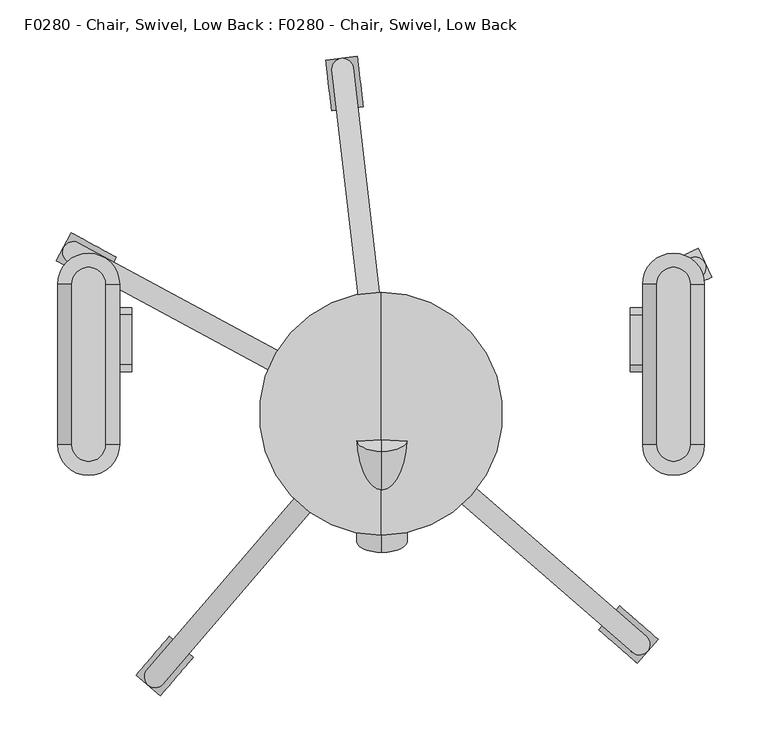
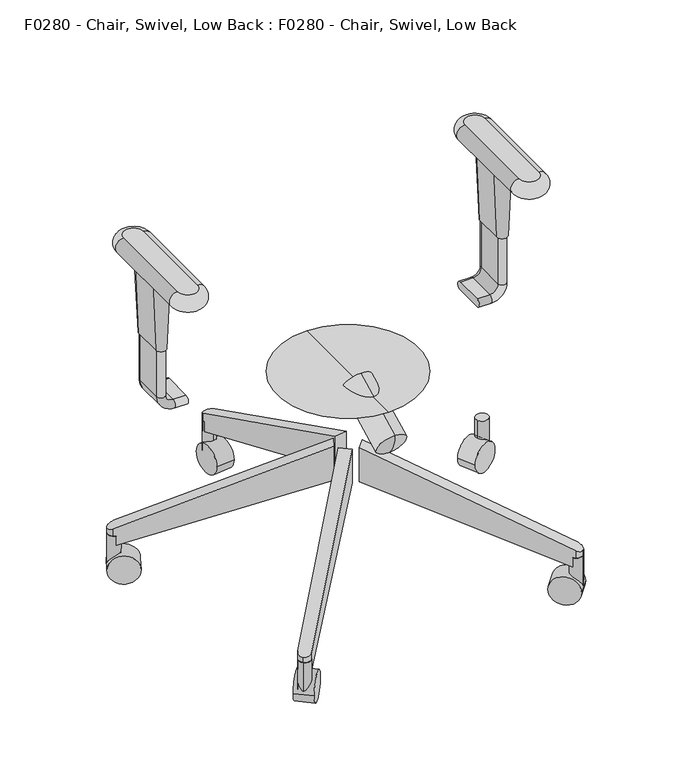
"""IFC4 building model written with IfcOpenShell, lengths in millimetres: proxy geometry, F0280 - Chair, Swivel, Low Back : F0280 - Chair, Swivel, Low Back."""

from ifc_helpers import new_model, si_unit, point, frame, frame_2d, origin, place, context, project, spatial, polyline, circle_curve, ellipse_curve, trimmed, segment, composite_curve, outline, extrude, source, transform, mapped, element, save
from ifc_brep_helpers import plane_surface, cylinder_surface, revolved_surface, advanced_brep


def f0280_chair_swivel_low_back_f0280_chair_swivel_low_back_72507954(model_context):
    return source(origin(), model_context, "Body", "SolidModel", [
        advanced_brep(
        [(-244.7915853, -27.2190125, 564.9459091), (-244.7915853, 115.231927, 564.9459091), (-274.5248755, 115.231927, 564.9459091), (-274.5248755, -27.2190125, 564.9459091), (-274.5248755, -27.2190125, 539.608165), (-274.5248755, 115.231927, 539.608165), (-244.7915853, 115.231927, 539.608165), (-244.7915853, -27.2190125, 539.608165)],
        [
            (0, 1),
            (1, 2, circle_curve(frame((-259.6582304, 115.231927, 564.9459091), z_axis=(0.0, 0.0, 1.0), x_axis=(-1.0, 0.0, 0.0)), 14.8666451)),
            (2, 3),
            (3, 0, circle_curve(frame((-259.6582304, -27.2190125, 564.9459091), z_axis=(0.0, 0.0, 1.0), x_axis=(1.0, 0.0, 0.0)), 14.8666451)),
            (4, 5),
            (5, 6, circle_curve(frame((-259.6582304, 115.231927, 539.608165), z_axis=(0.0, 0.0, -1.0), x_axis=(-1.0, 0.0, 0.0)), 14.8666451)),
            (6, 7),
            (7, 4, circle_curve(frame((-259.6582304, -27.2190125, 539.608165), z_axis=(0.0, 0.0, -1.0), x_axis=(1.0, 0.0, 0.0)), 14.8666451)),
            (7, 0, circle_curve(frame((-244.7915853, -27.2190125, 552.277037), z_axis=(0.0, -1.0, 0.0), x_axis=(-1.0, 0.0, 0.0)), 12.668872)),
            (3, 4, circle_curve(frame((-274.5248755, -27.2190125, 552.277037), z_axis=(0.0, -1.0, 0.0), x_axis=(1.0, 0.0, 0.0)), 12.668872)),
            (2, 5, circle_curve(frame((-274.5248755, 115.231927, 552.277037), z_axis=(0.0, -1.0, 0.0), x_axis=(1.0, 0.0, 0.0)), 12.668872)),
            (1, 6, circle_curve(frame((-244.7915853, 115.231927, 552.277037), z_axis=(0.0, 1.0, 0.0), x_axis=(-1.0, 0.0, 0.0)), 12.668872)),
        ],
        [
            plane_surface(frame((-232.0214447, -27.2190125, 564.9459091), z_axis=(0.0, 0.0, 1.0), x_axis=(0.0, -1.0, 0.0))),
            plane_surface(frame((-232.0214447, -27.2190125, 539.608165), z_axis=(0.0, 0.0, -1.0), x_axis=(0.0, 1.0, 0.0))),
            revolved_surface(trimmed(ellipse_curve(frame((-244.7915853, -27.2190125, 552.277037), z_axis=(0.0, -1.0, 0.0), x_axis=(-1.0, 0.0, 0.0)), 12.668872, 12.668872), [point((-244.7915853, -27.2190125, 539.608165))], [point((-244.7915853, -27.2190125, 564.9459091))], True, "CARTESIAN"), (-259.6582304, -27.2190125, 564.9459091), (0.0, 0.0, 1.0)),
            cylinder_surface(frame((-274.5248755, -27.2190125, 552.277037), z_axis=(0.0, 1.0, 0.0), x_axis=(1.0, 0.0, 0.0)), 12.668872),
            revolved_surface(trimmed(ellipse_curve(frame((-274.5248755, 115.231927, 552.277037), z_axis=(0.0, 1.0, 0.0), x_axis=(1.0, 0.0, 0.0)), 12.668872, 12.668872), [point((-274.5248755, 115.231927, 539.608165))], [point((-274.5248755, 115.231927, 564.9459091))], True, "CARTESIAN"), (-259.6582304, 115.231927, 564.9459091), (0.0, 0.0, 1.0)),
            cylinder_surface(frame((-244.7915853, 115.231927, 552.277037), z_axis=(0.0, -1.0, 0.0), x_axis=(-1.0, 0.0, 0.0)), 12.668872),
        ],
        [
            (0, [[1, 2, 3, 4]]),
            (1, [[5, 6, 7, 8]]),
            (2, [[-8, 9, -4, 10]]),
            (3, [[-3, 11, -5, -10]]),
            (4, [[-2, 12, -6, -11]]),
            (5, [[-7, -12, -1, -9]]),
        ],
    ),
        advanced_brep(
        [(-272.2112726, 43.5550281, 539.608165), (-246.8112726, 43.5550281, 539.608165), (-246.8112726, 88.0050281, 539.608165), (-272.2112726, 88.0050281, 539.608165), (-267.4487726, 43.5550281, 425.6440254), (-267.4487726, 88.0050281, 425.6440254), (-251.5737726, 88.0050281, 425.6440254), (-251.5737726, 43.5550281, 425.6440254)],
        [
            (0, 1, circle_curve(frame((-259.5112726, 43.5550281, 539.608165), z_axis=(0.0, 0.0, 1.0), x_axis=(1.0, 0.0, 0.0)), 12.7)),
            (1, 2),
            (2, 3, circle_curve(frame((-259.5112726, 88.0050281, 539.608165), z_axis=(0.0, 0.0, 1.0), x_axis=(-1.0, 0.0, 0.0)), 12.7)),
            (3, 0),
            (4, 5),
            (5, 6, circle_curve(frame((-259.5112726, 88.0050281, 425.6440254), z_axis=(0.0, 0.0, -1.0), x_axis=(-1.0, 0.0, 0.0)), 7.9375)),
            (6, 7),
            (7, 4, circle_curve(frame((-259.5112726, 43.5550281, 425.6440254), z_axis=(0.0, 0.0, -1.0), x_axis=(1.0, 0.0, 0.0)), 7.9375)),
            (3, 5),
            (4, 0),
            (2, 6),
            (1, 7),
        ],
        [
            plane_surface(frame((-259.5112726, 65.7800281, 539.608165), z_axis=(0.0, 0.0, 1.0), x_axis=(0.0, 1.0, 0.0))),
            plane_surface(frame((-259.5112726, 65.7800281, 425.6440254), z_axis=(0.0, 0.0, -1.0), x_axis=(0.0, 1.0, 0.0))),
            plane_surface(frame((-267.4487726, 65.7800281, 425.6440254), z_axis=(-0.9991279624642644, 0.0, -0.04175301931606388), x_axis=(0.0, 1.0, 0.0))),
            revolved_surface(polyline([(-251.57377260104474, 88.0050281, 425.6440254), (-246.8112726, 88.0050281, 539.608165)]), (-259.5112726, 88.0050281, 235.7037928), (0.0, 0.0, 1.0)),
            plane_surface(frame((-251.5737726, 65.7800281, 425.6440254), z_axis=(0.9991279624642645, 0.0, -0.04175301931606151), x_axis=(0.0, -1.0, 0.0))),
            revolved_surface(polyline([(-267.44877259895526, 43.5550281, 425.6440254), (-272.2112726, 43.5550281, 539.608165)]), (-259.5112726, 43.5550281, 235.7037928), (0.0, 0.0, 1.0)),
        ],
        [
            (0, [[1, 2, 3, 4]]),
            (1, [[5, 6, 7, 8]]),
            (2, [[9, -5, 10, -4]]),
            (3, [[11, -6, -9, -3]]),
            (4, [[12, -7, -11, -2]]),
            (5, [[-10, -8, -12, -1]]),
        ],
    ),
        advanced_brep(
        [(-221.4112726, 43.5550281, 324.0440254), (-221.4112726, 88.0050281, 324.0440254), (-221.4112726, 88.0050281, 336.7440254), (-221.4112726, 43.5550281, 336.7440254), (-240.4612726, 43.5550281, 336.7440254), (-240.4612726, 43.5550281, 324.0440254), (-240.4612726, 88.0050281, 336.7440254), (-240.4612726, 88.0050281, 324.0440254), (-253.1612726, 43.5550281, 349.4440254), (-265.8612726, 43.5550281, 349.4440254), (-253.1612726, 88.0050281, 349.4440254), (-265.8612726, 88.0050281, 349.4440254), (-265.8612726, 43.5550281, 425.6440254), (-253.1612726, 43.5550281, 425.6440254), (-253.1612726, 88.0050281, 425.6440254), (-265.8612726, 88.0050281, 425.6440254)],
        [
            (0, 1),
            (1, 2, circle_curve(frame((-221.4112726, 88.0050281, 330.3940254), z_axis=(1.0, 0.0, 0.0), x_axis=(0.0, -1.0, 0.0)), 6.35)),
            (2, 3),
            (3, 0, circle_curve(frame((-221.4112726, 43.5550281, 330.3940254), z_axis=(1.0, 0.0, 0.0), x_axis=(0.0, -1.0, 0.0)), 6.35)),
            (3, 4),
            (4, 5, circle_curve(frame((-240.4612726, 43.5550281, 330.3940254), z_axis=(1.0, 0.0, 0.0), x_axis=(0.0, -1.0, 0.0)), 6.35)),
            (5, 0),
            (2, 6),
            (6, 4),
            (1, 7),
            (7, 6, circle_curve(frame((-240.4612726, 88.0050281, 330.3940254), z_axis=(1.0, 0.0, 0.0), x_axis=(0.0, -1.0, 0.0)), 6.35)),
            (5, 7),
            (8, 9, circle_curve(frame((-259.5112726, 43.5550281, 349.4440254), z_axis=(0.0, 0.0, -1.0), x_axis=(0.0, -1.0, 0.0)), 6.35)),
            (9, 5, circle_curve(frame((-240.4612726, 43.5550281, 349.4440254), z_axis=(0.0, -1.0, 0.0), x_axis=(0.0, 0.0, -1.0)), 25.4)),
            (4, 8, circle_curve(frame((-240.4612726, 43.5550281, 349.4440254), z_axis=(0.0, 1.0, 0.0), x_axis=(0.0, 0.0, -1.0)), 12.7)),
            (10, 8),
            (6, 10, circle_curve(frame((-240.4612726, 88.0050281, 349.4440254), z_axis=(0.0, 1.0, 0.0), x_axis=(0.0, 0.0, -1.0)), 12.7)),
            (11, 10, circle_curve(frame((-259.5112726, 88.0050281, 349.4440254), z_axis=(0.0, 0.0, -1.0), x_axis=(0.0, -1.0, 0.0)), 6.35)),
            (7, 11, circle_curve(frame((-240.4612726, 88.0050281, 349.4440254), z_axis=(0.0, 1.0, 0.0), x_axis=(0.0, 0.0, -1.0)), 25.4)),
            (9, 11),
            (12, 13, circle_curve(frame((-259.5112726, 43.5550281, 425.6440254), z_axis=(0.0, 0.0, 1.0), x_axis=(0.0, -1.0, 0.0)), 6.35)),
            (13, 14),
            (14, 15, circle_curve(frame((-259.5112726, 88.0050281, 425.6440254), z_axis=(0.0, 0.0, 1.0), x_axis=(0.0, -1.0, 0.0)), 6.35)),
            (15, 12),
            (8, 13),
            (12, 9),
            (10, 14),
            (11, 15),
        ],
        [
            plane_surface(frame((-221.4112726, 69.85, 324.0440254), z_axis=(1.0, 0.0, 0.0), x_axis=(0.0, -1.0, 0.0))),
            cylinder_surface(frame((-221.4112726, 43.5550281, 330.3940254), z_axis=(1.0, 0.0, 0.0), x_axis=(0.0, -1.0, 0.0)), 6.35),
            plane_surface(frame((-221.4112726, 43.5550281, 336.7440254), z_axis=(0.0, 0.0, 1.0), x_axis=(-1.0, 0.0, 0.0))),
            cylinder_surface(frame((-221.4112726, 88.0050281, 330.3940254), z_axis=(1.0, 0.0, 0.0), x_axis=(0.0, -1.0, 0.0)), 6.35),
            plane_surface(frame((-221.4112726, 88.0050281, 324.0440254), z_axis=(0.0, 0.0, -1.0), x_axis=(-1.0, 0.0, 0.0))),
            revolved_surface(trimmed(ellipse_curve(frame((-240.4612726, 43.5550281, 330.3940254), z_axis=(-1.0, 0.0, 0.0), x_axis=(0.0, -1.0, 0.0)), 6.35, 6.35), [point((-240.4612726, 43.5550281, 324.0440254))], [point((-240.4612726, 43.5550281, 336.7440254))], True, "CARTESIAN"), (-240.4612726, 69.85, 349.4440254), (0.0, -1.0, 0.0)),
            revolved_surface(polyline([(-240.4612726, 43.5550281, 336.7440254), (-240.4612726, 88.0050281, 336.7440254)]), (-240.4612726, 69.85, 349.4440254), (0.0, -1.0, 0.0)),
            revolved_surface(trimmed(ellipse_curve(frame((-240.4612726, 88.0050281, 330.3940254), z_axis=(-1.0, 0.0, 0.0), x_axis=(0.0, -1.0, 0.0)), 6.35, 6.35), [point((-240.4612726, 88.0050281, 336.7440254))], [point((-240.4612726, 88.0050281, 324.0440254))], True, "CARTESIAN"), (-240.4612726, 69.85, 349.4440254), (0.0, -1.0, 0.0)),
            cylinder_surface(frame((-240.4612726, 69.85, 349.4440254), z_axis=(0.0, -1.0, 0.0), x_axis=(0.0, 0.0, -1.0)), 25.4),
            plane_surface(frame((-265.8612726, 69.85, 425.6440254), z_axis=(0.0, 0.0, 1.0), x_axis=(0.0, -1.0, 0.0))),
            cylinder_surface(frame((-259.5112726, 43.5550281, 349.4440254), z_axis=(0.0, 0.0, -1.0), x_axis=(0.0, -1.0, 0.0)), 6.35),
            plane_surface(frame((-253.1612726, 43.5550281, 349.4440254), z_axis=(1.0, 0.0, 0.0), x_axis=(0.0, 0.0, 1.0))),
            cylinder_surface(frame((-259.5112726, 88.0050281, 349.4440254), z_axis=(0.0, 0.0, -1.0), x_axis=(0.0, -1.0, 0.0)), 6.35),
            plane_surface(frame((-265.8612726, 88.0050281, 349.4440254), z_axis=(-1.0, 0.0, 0.0), x_axis=(0.0, 0.0, 1.0))),
        ],
        [
            (0, [[1, 2, 3, 4]]),
            (1, [[5, 6, 7, -4]]),
            (2, [[8, 9, -5, -3]]),
            (3, [[10, 11, -8, -2]]),
            (4, [[-7, 12, -10, -1]]),
            (5, [[13, 14, -6, 15]]),
            (6, [[16, -15, -9, 17]]),
            (7, [[18, -17, -11, 19]]),
            (8, [[20, -19, -12, -14]]),
            (9, [[21, 22, 23, 24]]),
            (10, [[25, -21, 26, -13]]),
            (11, [[27, -22, -25, -16]]),
            (12, [[28, -23, -27, -18]]),
            (13, [[-26, -24, -28, -20]]),
        ],
    ),
        advanced_brep(
        [(274.4746752, -27.2190125, 564.9459091), (274.4746752, 115.231927, 564.9459091), (244.8417856, 115.231927, 564.9459091), (244.8417856, -27.2190125, 564.9459091), (244.8417856, -27.2190125, 539.608165), (244.8417856, 115.231927, 539.608165), (274.4746752, 115.231927, 539.608165), (274.4746752, -27.2190125, 539.608165)],
        [
            (0, 1),
            (1, 2, circle_curve(frame((259.6582304, 115.231927, 564.9459091), z_axis=(0.0, 0.0, 1.0), x_axis=(-1.0, 0.0, 0.0)), 14.8164448)),
            (2, 3),
            (3, 0, circle_curve(frame((259.6582304, -27.2190125, 564.9459091), z_axis=(0.0, 0.0, 1.0), x_axis=(1.0, 0.0, 0.0)), 14.8164448)),
            (4, 5),
            (5, 6, circle_curve(frame((259.6582304, 115.231927, 539.608165), z_axis=(0.0, 0.0, -1.0), x_axis=(-1.0, 0.0, 0.0)), 14.8164448)),
            (6, 7),
            (7, 4, circle_curve(frame((259.6582304, -27.2190125, 539.608165), z_axis=(0.0, 0.0, -1.0), x_axis=(1.0, 0.0, 0.0)), 14.8164448)),
            (7, 0, circle_curve(frame((274.4746752, -27.2190125, 552.277037), z_axis=(0.0, -1.0, 0.0), x_axis=(-1.0, 0.0, 0.0)), 12.668872)),
            (3, 4, circle_curve(frame((244.8417856, -27.2190125, 552.277037), z_axis=(0.0, -1.0, 0.0), x_axis=(1.0, 0.0, 0.0)), 12.668872)),
            (2, 5, circle_curve(frame((244.8417856, 115.231927, 552.277037), z_axis=(0.0, -1.0, 0.0), x_axis=(1.0, 0.0, 0.0)), 12.668872)),
            (1, 6, circle_curve(frame((274.4746752, 115.231927, 552.277037), z_axis=(0.0, 1.0, 0.0), x_axis=(-1.0, 0.0, 0.0)), 12.668872)),
        ],
        [
            plane_surface(frame((232.0214447, -21.1606364, 564.9459091), z_axis=(0.0, 0.0, 1.0), x_axis=(0.0, 1.0, 0.0))),
            plane_surface(frame((232.0214447, -21.1606364, 539.608165), z_axis=(0.0, 0.0, -1.0), x_axis=(0.0, -1.0, 0.0))),
            revolved_surface(trimmed(ellipse_curve(frame((274.4746752, -27.2190125, 552.277037), z_axis=(0.0, -1.0, 0.0), x_axis=(-1.0, 0.0, 0.0)), 12.668872, 12.668872), [point((274.4746752, -27.2190125, 539.608165))], [point((274.4746752, -27.2190125, 564.9459091))], True, "CARTESIAN"), (259.6582304, -27.2190125, 564.9459091), (0.0, 0.0, 1.0)),
            cylinder_surface(frame((244.8417856, -27.2190125, 552.277037), z_axis=(0.0, 1.0, 0.0), x_axis=(1.0, 0.0, 0.0)), 12.668872),
            revolved_surface(trimmed(ellipse_curve(frame((244.8417856, 115.231927, 552.277037), z_axis=(0.0, 1.0, 0.0), x_axis=(1.0, 0.0, 0.0)), 12.668872, 12.668872), [point((244.8417856, 115.231927, 539.608165))], [point((244.8417856, 115.231927, 564.9459091))], True, "CARTESIAN"), (259.6582304, 115.231927, 564.9459091), (0.0, 0.0, 1.0)),
            cylinder_surface(frame((274.4746752, 115.231927, 552.277037), z_axis=(0.0, -1.0, 0.0), x_axis=(-1.0, 0.0, 0.0)), 12.668872),
        ],
        [
            (0, [[1, 2, 3, 4]]),
            (1, [[5, 6, 7, 8]]),
            (2, [[-8, 9, -4, 10]]),
            (3, [[-3, 11, -5, -10]]),
            (4, [[-2, 12, -6, -11]]),
            (5, [[-7, -12, -1, -9]]),
        ],
    ),
        advanced_brep(
        [(272.2112726, 43.5550281, 539.608165), (272.2112726, 88.0050281, 539.608165), (246.8112726, 88.0050281, 539.608165), (246.8112726, 43.5550281, 539.608165), (267.4487726, 43.5550281, 425.6440254), (251.5737726, 43.5550281, 425.6440254), (251.5737726, 88.0050281, 425.6440254), (267.4487726, 88.0050281, 425.6440254)],
        [
            (0, 1),
            (1, 2, circle_curve(frame((259.5112726, 88.0050281, 539.608165), z_axis=(0.0, 0.0, 1.0), x_axis=(-1.0, 0.0, 0.0)), 12.7)),
            (2, 3),
            (3, 0, circle_curve(frame((259.5112726, 43.5550281, 539.608165), z_axis=(0.0, 0.0, 1.0), x_axis=(1.0, 0.0, 0.0)), 12.7)),
            (4, 5, circle_curve(frame((259.5112726, 43.5550281, 425.6440254), z_axis=(0.0, 0.0, -1.0), x_axis=(1.0, 0.0, 0.0)), 7.9375)),
            (5, 6),
            (6, 7, circle_curve(frame((259.5112726, 88.0050281, 425.6440254), z_axis=(0.0, 0.0, -1.0), x_axis=(-1.0, 0.0, 0.0)), 7.9375)),
            (7, 4),
            (3, 5),
            (4, 0),
            (2, 6),
            (1, 7),
        ],
        [
            plane_surface(frame((259.5112726, 65.7800281, 539.608165), z_axis=(0.0, 0.0, 1.0), x_axis=(0.0, -1.0, 0.0))),
            plane_surface(frame((259.5112726, 65.7800281, 425.6440254), z_axis=(0.0, 0.0, -1.0), x_axis=(0.0, -1.0, 0.0))),
            revolved_surface(polyline([(251.57377260104474, 43.5550281, 425.6440254), (246.8112726, 43.5550281, 539.608165)]), (259.5112726, 43.5550281, 235.7037928), (0.0, 0.0, 1.0)),
            plane_surface(frame((251.5737726, 65.7800281, 425.6440254), z_axis=(-0.9991279624642644, 0.0, -0.04175301931606269), x_axis=(0.0, 1.0, 0.0))),
            revolved_surface(polyline([(267.44877259895526, 88.0050281, 425.6440254), (272.2112726, 88.0050281, 539.608165)]), (259.5112726, 88.0050281, 235.7037928), (0.0, 0.0, 1.0)),
            plane_surface(frame((267.4487726, 65.7800281, 425.6440254), z_axis=(0.9991279624642644, 0.0, -0.04175301931606269), x_axis=(0.0, -1.0, 0.0))),
        ],
        [
            (0, [[1, 2, 3, 4]]),
            (1, [[5, 6, 7, 8]]),
            (2, [[9, -5, 10, -4]]),
            (3, [[11, -6, -9, -3]]),
            (4, [[12, -7, -11, -2]]),
            (5, [[-10, -8, -12, -1]]),
        ],
    ),
        advanced_brep(
        [(221.4112726, 43.5550281, 324.0440254), (221.4112726, 43.5550281, 336.7440254), (221.4112726, 88.0050281, 336.7440254), (221.4112726, 88.0050281, 324.0440254), (240.4612726, 88.0050281, 324.0440254), (240.4612726, 43.5550281, 324.0440254), (240.4612726, 88.0050281, 336.7440254), (240.4612726, 43.5550281, 336.7440254), (265.8612726, 88.0050281, 349.4440254), (265.8612726, 43.5550281, 349.4440254), (253.1612726, 88.0050281, 349.4440254), (253.1612726, 43.5550281, 349.4440254), (265.8612726, 43.5550281, 425.6440254), (265.8612726, 88.0050281, 425.6440254), (253.1612726, 88.0050281, 425.6440254), (253.1612726, 43.5550281, 425.6440254)],
        [
            (0, 1, circle_curve(frame((221.4112726, 43.5550281, 330.3940254), z_axis=(-1.0, 0.0, 0.0), x_axis=(0.0, -1.0, 0.0)), 6.35)),
            (1, 2),
            (2, 3, circle_curve(frame((221.4112726, 88.0050281, 330.3940254), z_axis=(-1.0, 0.0, 0.0), x_axis=(0.0, -1.0, 0.0)), 6.35)),
            (3, 0),
            (3, 4),
            (4, 5),
            (5, 0),
            (2, 6),
            (6, 4, circle_curve(frame((240.4612726, 88.0050281, 330.3940254), z_axis=(-1.0, 0.0, 0.0), x_axis=(0.0, -1.0, 0.0)), 6.35)),
            (1, 7),
            (7, 6),
            (5, 7, circle_curve(frame((240.4612726, 43.5550281, 330.3940254), z_axis=(-1.0, 0.0, 0.0), x_axis=(0.0, -1.0, 0.0)), 6.35)),
            (8, 9),
            (9, 5, circle_curve(frame((240.4612726, 43.5550281, 349.4440254), z_axis=(0.0, 1.0, 0.0), x_axis=(0.0, 0.0, -1.0)), 25.4)),
            (4, 8, circle_curve(frame((240.4612726, 88.0050281, 349.4440254), z_axis=(0.0, -1.0, 0.0), x_axis=(0.0, 0.0, -1.0)), 25.4)),
            (10, 8, circle_curve(frame((259.5112726, 88.0050281, 349.4440254), z_axis=(0.0, 0.0, -1.0), x_axis=(0.0, -1.0, 0.0)), 6.35)),
            (6, 10, circle_curve(frame((240.4612726, 88.0050281, 349.4440254), z_axis=(0.0, -1.0, 0.0), x_axis=(0.0, 0.0, -1.0)), 12.7)),
            (11, 10),
            (7, 11, circle_curve(frame((240.4612726, 43.5550281, 349.4440254), z_axis=(0.0, -1.0, 0.0), x_axis=(0.0, 0.0, -1.0)), 12.7)),
            (9, 11, circle_curve(frame((259.5112726, 43.5550281, 349.4440254), z_axis=(0.0, 0.0, -1.0), x_axis=(0.0, -1.0, 0.0)), 6.35)),
            (12, 13),
            (13, 14, circle_curve(frame((259.5112726, 88.0050281, 425.6440254), z_axis=(0.0, 0.0, 1.0), x_axis=(0.0, -1.0, 0.0)), 6.35)),
            (14, 15),
            (15, 12, circle_curve(frame((259.5112726, 43.5550281, 425.6440254), z_axis=(0.0, 0.0, 1.0), x_axis=(0.0, -1.0, 0.0)), 6.35)),
            (8, 13),
            (12, 9),
            (10, 14),
            (11, 15),
        ],
        [
            plane_surface(frame((221.4112726, 69.85, 324.0440254), z_axis=(-1.0, 0.0, 0.0), x_axis=(0.0, -1.0, 0.0))),
            plane_surface(frame((221.4112726, 43.5550281, 324.0440254), z_axis=(0.0, 0.0, -1.0), x_axis=(1.0, 0.0, 0.0))),
            cylinder_surface(frame((221.4112726, 88.0050281, 330.3940254), z_axis=(-1.0, 0.0, 0.0), x_axis=(0.0, -1.0, 0.0)), 6.35),
            plane_surface(frame((221.4112726, 88.0050281, 336.7440254), z_axis=(0.0, 0.0, 1.0), x_axis=(1.0, 0.0, 0.0))),
            cylinder_surface(frame((221.4112726, 43.5550281, 330.3940254), z_axis=(-1.0, 0.0, 0.0), x_axis=(0.0, -1.0, 0.0)), 6.35),
            cylinder_surface(frame((240.4612726, 69.85, 349.4440254), z_axis=(0.0, 1.0, 0.0), x_axis=(0.0, 0.0, -1.0)), 25.4),
            revolved_surface(trimmed(ellipse_curve(frame((240.4612726, 88.0050281, 330.3940254), z_axis=(1.0, 0.0, 0.0), x_axis=(0.0, -1.0, 0.0)), 6.35, 6.35), [point((240.4612726, 88.0050281, 324.0440254))], [point((240.4612726, 88.0050281, 336.7440254))], True, "CARTESIAN"), (240.4612726, 69.85, 349.4440254), (0.0, 1.0, 0.0)),
            revolved_surface(polyline([(240.4612726, 88.0050281, 336.7440254), (240.4612726, 43.5550281, 336.7440254)]), (240.4612726, 69.85, 349.4440254), (0.0, 1.0, 0.0)),
            revolved_surface(trimmed(ellipse_curve(frame((240.4612726, 43.5550281, 330.3940254), z_axis=(1.0, 0.0, 0.0), x_axis=(0.0, -1.0, 0.0)), 6.35, 6.35), [point((240.4612726, 43.5550281, 336.7440254))], [point((240.4612726, 43.5550281, 324.0440254))], True, "CARTESIAN"), (240.4612726, 69.85, 349.4440254), (0.0, 1.0, 0.0)),
            plane_surface(frame((265.8612726, 69.85, 425.6440254), z_axis=(0.0, 0.0, 1.0), x_axis=(0.0, -1.0, 0.0))),
            plane_surface(frame((265.8612726, 43.5550281, 349.4440254), z_axis=(1.0, 0.0, 0.0), x_axis=(0.0, 0.0, 1.0))),
            cylinder_surface(frame((259.5112726, 88.0050281, 349.4440254), z_axis=(0.0, 0.0, -1.0), x_axis=(0.0, -1.0, 0.0)), 6.35),
            plane_surface(frame((253.1612726, 88.0050281, 349.4440254), z_axis=(-1.0, 0.0, 0.0), x_axis=(0.0, 0.0, 1.0))),
            cylinder_surface(frame((259.5112726, 43.5550281, 349.4440254), z_axis=(0.0, 0.0, -1.0), x_axis=(0.0, -1.0, 0.0)), 6.35),
        ],
        [
            (0, [[1, 2, 3, 4]]),
            (1, [[5, 6, 7, -4]]),
            (2, [[8, 9, -5, -3]]),
            (3, [[10, 11, -8, -2]]),
            (4, [[-7, 12, -10, -1]]),
            (5, [[13, 14, -6, 15]]),
            (6, [[16, -15, -9, 17]]),
            (7, [[18, -17, -11, 19]]),
            (8, [[20, -19, -12, -14]]),
            (9, [[21, 22, 23, 24]]),
            (10, [[25, -21, 26, -13]]),
            (11, [[27, -22, -25, -16]]),
            (12, [[28, -23, -27, -18]]),
            (13, [[-26, -24, -28, -20]]),
        ],
    ),
        advanced_brep(
        [(0.7579549, -12.6773619, 300.8203454), (0.7579549, -21.8704355, 321.4683269), (0.7579549, -33.1714503, 341.0422587), (0.7579549, -102.4414689, 255.0832484), (0.7579549, -122.9355573, 295.3051617), (0.7579549, -118.1865878, 272.3927961)],
        [
            (0, 1),
            (1, 2),
            (2, 0, circle_curve(frame((0.7579549, -22.9244061, 320.931302), z_axis=(0.0, 0.8910065241883681, 0.45399049973954636), x_axis=(0.0, -0.45399049973954636, 0.8910065241883681)), 22.5710543)),
            (0, 2, circle_curve(frame((0.7579549, -22.9244061, 320.931302), z_axis=(0.0, 0.8910065241883681, 0.45399049973954636), x_axis=(0.0, -0.45399049973954636, 0.8910065241883681)), 22.5710543)),
            (3, 0),
            (2, 4),
            (4, 3, circle_curve(frame((0.7579549, -112.6885131, 275.1942051), z_axis=(0.0, 0.8910065241883681, 0.45399049973954636), x_axis=(0.0, -0.45399049973954636, 0.8910065241883681)), 22.5710543)),
            (3, 4, circle_curve(frame((0.7579549, -112.6885131, 275.1942051), z_axis=(0.0, 0.8910065241883681, 0.45399049973954636), x_axis=(0.0, -0.45399049973954636, 0.8910065241883681)), 22.5710543)),
            (5, 3, circle_curve(frame((0.7579549, -78.6564404, 292.5344122), z_axis=(1.0, 0.0, 0.0), x_axis=(0.0, -0.587785252292474, -0.8090169943749469)), 44.3657216)),
            (4, 5, circle_curve(frame((0.7579549, -78.6564404, 292.5344122), z_axis=(1.0, 0.0, 0.0), x_axis=(0.0, -1.0, 0.0)), 44.3657216)),
        ],
        [
            revolved_surface(polyline([(0.7579549, -21.8704355, 321.4683269), (0.7579549, -33.1714503, 341.0422587)]), (0.7579549, -51.7360219, 306.2510506), (0.0, -0.8910065241883681, -0.45399049973954636)),
            cylinder_surface(frame((0.7579549, -51.7360219, 306.2510506), z_axis=(0.0, -0.8910065241883681, -0.45399049973954636), x_axis=(0.0, -0.45399049973954636, 0.8910065241883681)), 22.5710543),
            revolved_surface(trimmed(ellipse_curve(frame((0.7579549, -78.6564404, 292.5344122), z_axis=(1.0, 0.0, 0.0), x_axis=(0.0, -1.0, 0.0)), 44.3657216, 44.3657216), [point((0.7579549, -122.9355573, 295.3051617))], [point((0.7579549, -118.1865878, 272.3927961))], True, "CARTESIAN"), (0.7579549, -51.7360219, 306.2510506), (0.0, -0.8910065241883681, -0.45399049973954636)),
        ],
        [
            (0, [[1, 2, 3]]),
            (0, [[-2, -1, 4]]),
            (1, [[5, -3, 6, 7]]),
            (1, [[-6, -4, -5, 8]]),
            (2, [[9, -7, 10]]),
            (2, [[-10, -8, -9]]),
        ],
    ),
        advanced_brep(
        [(0.0, 0.0, 324.0440254), (0.0, -107.95, 324.0440254), (0.0, 107.95, 324.0440254), (0.0, -12.7, 278.9664474), (0.0, 0.0, 278.9664474), (0.0, 12.7, 278.9664474)],
        [
            (0, 1),
            (1, 2, circle_curve(frame((0.0, 0.0, 324.0440254), z_axis=(0.0, 0.0, 1.0), x_axis=(0.0, 1.0, 0.0)), 107.95)),
            (2, 0),
            (2, 1, circle_curve(frame((0.0, 0.0, 324.0440254), z_axis=(0.0, 0.0, 1.0), x_axis=(0.0, 1.0, 0.0)), 107.95)),
            (3, 4),
            (4, 5),
            (5, 3, circle_curve(frame((0.0, 0.0, 278.9664474), z_axis=(0.0, 0.0, -1.0), x_axis=(0.0, 1.0, 0.0)), 12.7)),
            (3, 5, circle_curve(frame((0.0, 0.0, 278.9664474), z_axis=(0.0, 0.0, -1.0), x_axis=(0.0, 1.0, 0.0)), 12.7)),
            (1, 3),
            (5, 2),
        ],
        [
            plane_surface(frame((0.0, 0.0, 324.0440254), z_axis=(0.0, 0.0, 1.0), x_axis=(0.0, 1.0, 0.0))),
            plane_surface(frame((0.0, 0.0, 278.9664474), z_axis=(0.0, 0.0, -1.0), x_axis=(0.0, 1.0, 0.0))),
            revolved_surface(polyline([(0.0, 12.7, 278.9664474), (0.0, 107.95, 324.0440254)]), (0.0, 0.0, 278.9664474), (0.0, 0.0, 1.0)),
        ],
        [
            (0, [[1, 2, 3]]),
            (0, [[-3, 4, -1]]),
            (1, [[5, 6, 7]]),
            (1, [[-6, -5, 8]]),
            (2, [[9, -7, 10, -2]]),
            (2, [[-10, -8, -9, -4]]),
        ],
    ),
        advanced_brep(
        [(-35.2798856, 315.6318237, 73.9191719), (-43.6580109, 306.0440949, 73.9191719), (-33.0987126, 296.8169749, 73.9191719), (-24.8402492, 307.735782, 73.9191719), (-35.2798856, 315.6318237, 24.010186), (-24.8402492, 307.735782, 24.010186), (-33.0987126, 296.8169749, 24.010186), (-43.6580109, 306.0440949, 24.010186)],
        [
            (0, 1, circle_curve(frame((-34.1892991, 306.2243993, 73.9191719), z_axis=(0.0, 0.0, 1.0), x_axis=(0.1151570430509366, -0.9933472984992534, 0.0)), 9.4704283)),
            (1, 2, circle_curve(frame((-34.1892991, 306.2243993, 73.9191719), z_axis=(0.0, 0.0, 1.0), x_axis=(0.1151570430509366, -0.9933472984992534, 0.0)), 9.4704283)),
            (2, 3, circle_curve(frame((-34.1892991, 306.2243993, 73.9191719), z_axis=(0.0, 0.0, 1.0), x_axis=(0.1151570430509366, -0.9933472984992534, 0.0)), 9.4704283)),
            (3, 0, circle_curve(frame((-34.1892991, 306.2243993, 73.9191719), z_axis=(0.0, 0.0, 1.0), x_axis=(0.1151570430509366, -0.9933472984992534, 0.0)), 9.4704283)),
            (4, 5, circle_curve(frame((-34.1892991, 306.2243993, 24.010186), z_axis=(0.0, 0.0, -1.0), x_axis=(0.1151570430509366, -0.9933472984992534, 0.0)), 9.4704283)),
            (5, 6, circle_curve(frame((-34.1892991, 306.2243993, 24.010186), z_axis=(0.0, 0.0, -1.0), x_axis=(0.1151570430509366, -0.9933472984992534, 0.0)), 9.4704283)),
            (6, 7, circle_curve(frame((-34.1892991, 306.2243993, 24.010186), z_axis=(0.0, 0.0, -1.0), x_axis=(0.1151570430509366, -0.9933472984992534, 0.0)), 9.4704283)),
            (7, 4, circle_curve(frame((-34.1892991, 306.2243993, 24.010186), z_axis=(0.0, 0.0, -1.0), x_axis=(0.1151570430509366, -0.9933472984992534, 0.0)), 9.4704283)),
            (2, 6),
            (4, 0),
        ],
        [
            plane_surface(frame((-33.0987126, 296.8169749, 73.9191719), z_axis=(0.0, 0.0, 1.0000000000000002), x_axis=(-0.9933472984992534, -0.1151570430509366, 0.0))),
            plane_surface(frame((-33.0987126, 296.8169749, 24.010186), z_axis=(0.0, 0.0, -1.0000000000000002), x_axis=(0.9933472984992534, 0.1151570430509366, 0.0))),
            cylinder_surface(frame((-34.1892991, 306.2243993, 24.010186), z_axis=(0.0, 0.0, 1.0000000000000002), x_axis=(0.1151570430509366, -0.9933472984992534, 0.0)), 9.4704283),
        ],
        [
            (0, [[1, 2, 3, 4]]),
            (1, [[5, 6, 7, 8]]),
            (2, [[-4, -3, 9, -6, -5, 10]]),
            (2, [[-8, -7, -9, -2, -1, -10]]),
        ],
    ),
        advanced_brep(
        [(-10.2230636, 17.6334713, 158.3164474), (8.5386668, 19.8084865, 158.3164474), (8.5386668, 19.8084865, 212.7487443), (-10.2230636, 17.6334713, 212.7487443), (-43.6580109, 306.0440949, 57.6571213), (-35.2798856, 315.6318237, 54.689734), (-24.8402492, 307.735782, 57.8258095), (-24.8402492, 307.735782, 86.2220806), (-35.2798856, 315.6318237, 82.2734822), (-43.6580109, 306.0440949, 86.0096871)],
        [
            (0, 1),
            (1, 2),
            (2, 3),
            (3, 0),
            (0, 4),
            (4, 5, ellipse_curve(frame((-34.1892991, 306.2243993, 57.9730562), z_axis=(0.03772137343102609, -0.3253854336709328, -0.9448287768380345), x_axis=(-0.1088036881301013, 0.9385431130164155, -0.3275646233321655)), 10.0234334, 9.4704283)),
            (5, 6, ellipse_curve(frame((-34.1892991, 306.2243993, 57.9730562), z_axis=(0.03772137343102609, -0.3253854336709328, -0.9448287768380345), x_axis=(-0.1088036881301013, 0.9385431130164155, -0.3275646233321655)), 10.0234334, 9.4704283)),
            (6, 1),
            (6, 7),
            (7, 2),
            (7, 8, ellipse_curve(frame((-34.1892991, 306.2243993, 86.4074773), z_axis=(-0.046069943732865715, 0.3974003928601444, 0.9164881276039825), x_axis=(-0.10554006276616408, 0.910391005662055, -0.400061885163966)), 10.333389, 9.4704283)),
            (8, 9, ellipse_curve(frame((-34.1892991, 306.2243993, 86.4074773), z_axis=(-0.046069943732865715, 0.3974003928601444, 0.9164881276039825), x_axis=(-0.10554006276616408, 0.910391005662055, -0.400061885163966)), 10.333389, 9.4704283)),
            (9, 3),
            (9, 4),
            (8, 5),
        ],
        [
            plane_surface(frame((-0.8421984, 18.7209789, 185.5325958), z_axis=(0.11515704305094802, -0.9933472984992521, 0.0), x_axis=(0.0, 0.0, 1.0))),
            plane_surface(frame((-0.8421984, 18.7209789, 158.3164474), z_axis=(0.03772137343102609, -0.3253854336709328, -0.9448287768380345), x_axis=(0.9933472984992534, 0.1151570430509366, 0.0))),
            plane_surface(frame((8.5386668, 19.8084865, 185.5325958), z_axis=(0.9933472984992534, 0.11515704305093587, 0.0), x_axis=(0.0, 0.0, 1.0))),
            plane_surface(frame((-0.8421984, 18.7209789, 212.7487443), z_axis=(-0.046069943732865715, 0.3974003928601444, 0.9164881276039825), x_axis=(-0.9933472984992534, -0.1151570430509366, 0.0))),
            plane_surface(frame((-10.2230636, 17.6334713, 185.5325958), z_axis=(-0.9933472984992533, -0.11515704305093748, 0.0), x_axis=(0.0, 0.0, -1.0))),
            cylinder_surface(frame((-34.1892991, 306.2243993, 0.0), z_axis=(0.0, 0.0, -1.0000000000000002), x_axis=(0.1151570430509366, -0.9933472984992534, 0.0)), 9.4704283),
        ],
        [
            (0, [[1, 2, 3, 4]]),
            (1, [[5, 6, 7, 8, -1]]),
            (2, [[-8, 9, 10, -2]]),
            (3, [[-10, 11, 12, 13, -3]]),
            (4, [[-13, 14, -5, -4]]),
            (5, [[-6, -14, -12, 15]]),
            (5, [[-11, -9, -7, -15]]),
        ],
    ),
        extrude(outline(composite_curve([segment(trimmed(circle_curve(frame_2d((0.0, 22.5683941)), 22.5683942), [point((0.0, 45.1367882))], [point((0.0, 0.0))], False, "CARTESIAN"), True, "CONTINUOUS"), segment(trimmed(circle_curve(frame_2d((0.0, 22.5683941)), 22.5683942), [point((0.0, 0.0))], [point((0.0, 45.1367882))], False, "CARTESIAN"), True, "CONTINUOUS")], self_intersect=False)), frame((-248.6554504, 114.5056896, 22.3266274), z_axis=(0.475429476302697, 0.8797538366284875, 0.0), x_axis=(0.0, 0.0, -1.0)), (0.0, 0.0, 1.0), 28.170451),
        extrude(outline(composite_curve([segment(trimmed(circle_curve(frame_2d((0.0, 22.5683941)), 22.5683942), [point((0.0, 45.1367883))], [point((0.0, 0.0))], False, "CARTESIAN"), True, "CONTINUOUS"), segment(trimmed(circle_curve(frame_2d((0.0, 22.5683941)), 22.5683942), [point((0.0, 0.0))], [point((0.0, 45.1367883))], False, "CARTESIAN"), True, "CONTINUOUS")], self_intersect=False)), frame((-43.9097092, 269.4044857, 22.3266274), z_axis=(0.9933472984992534, 0.1151570430509366, 0.0), x_axis=(0.0, 0.0, -1.0)), (0.0, 0.0, 1.0), 28.170451),
        advanced_brep(
        [(-281.5728053, 148.089739, 73.9191719), (-278.5244929, 135.7274853, 73.9191719), (-264.909514, 139.0846975, 73.9191719), (-269.1168171, 152.1124051, 73.9191719), (-281.5728053, 148.089739, 24.010186), (-269.1168171, 152.1124051, 24.010186), (-264.909514, 139.0846975, 24.010186), (-278.5244929, 135.7274853, 24.010186)],
        [
            (0, 1, circle_curve(frame((-273.2411596, 143.5872182, 73.9191719), z_axis=(0.0, 0.0, 1.0), x_axis=(0.8797538366284874, -0.475429476302697, 0.0)), 9.4704283)),
            (1, 2, circle_curve(frame((-273.2411596, 143.5872182, 73.9191719), z_axis=(0.0, 0.0, 1.0), x_axis=(0.8797538366284874, -0.475429476302697, 0.0)), 9.4704283)),
            (2, 3, circle_curve(frame((-273.2411596, 143.5872182, 73.9191719), z_axis=(0.0, 0.0, 1.0), x_axis=(0.8797538366284874, -0.475429476302697, 0.0)), 9.4704283)),
            (3, 0, circle_curve(frame((-273.2411596, 143.5872182, 73.9191719), z_axis=(0.0, 0.0, 1.0), x_axis=(0.8797538366284874, -0.475429476302697, 0.0)), 9.4704283)),
            (4, 5, circle_curve(frame((-273.2411596, 143.5872182, 24.010186), z_axis=(0.0, 0.0, -1.0), x_axis=(0.8797538366284874, -0.475429476302697, 0.0)), 9.4704283)),
            (5, 6, circle_curve(frame((-273.2411596, 143.5872182, 24.010186), z_axis=(0.0, 0.0, -1.0), x_axis=(0.8797538366284874, -0.475429476302697, 0.0)), 9.4704283)),
            (6, 7, circle_curve(frame((-273.2411596, 143.5872182, 24.010186), z_axis=(0.0, 0.0, -1.0), x_axis=(0.8797538366284874, -0.475429476302697, 0.0)), 9.4704283)),
            (7, 4, circle_curve(frame((-273.2411596, 143.5872182, 24.010186), z_axis=(0.0, 0.0, -1.0), x_axis=(0.8797538366284874, -0.475429476302697, 0.0)), 9.4704283)),
            (2, 6),
            (4, 0),
        ],
        [
            plane_surface(frame((-264.909514, 139.0846975, 73.9191719), z_axis=(0.0, 0.0, 1.0), x_axis=(-0.475429476302697, -0.8797538366284874, 0.0))),
            plane_surface(frame((-264.909514, 139.0846975, 24.010186), z_axis=(0.0, 0.0, -1.0), x_axis=(0.475429476302697, 0.8797538366284874, 0.0))),
            cylinder_surface(frame((-273.2411596, 143.5872182, 24.010186), z_axis=(0.0, 0.0, 1.0), x_axis=(0.8797538366284874, -0.475429476302697, 0.0)), 9.4704283),
        ],
        [
            (0, [[1, 2, 3, 4]]),
            (1, [[5, 6, 7, 8]]),
            (2, [[-4, -3, 9, -6, -5, 10]]),
            (2, [[-8, -7, -9, -2, -1, -10]]),
        ],
    ),
        advanced_brep(
        [(-23.0948431, -2.3097469, 158.3164474), (-14.1152247, 14.3065003, 158.3164474), (-14.1152247, 14.3065003, 212.7487443), (-23.0948431, -2.3097469, 212.7487443), (-278.5244929, 135.7274853, 57.6571213), (-281.5728053, 148.089739, 54.689734), (-269.1168171, 152.1124051, 57.8258095), (-269.1168171, 152.1124051, 86.2220806), (-281.5728053, 148.089739, 82.2734822), (-278.5244929, 135.7274853, 86.0096871)],
        [
            (0, 1),
            (1, 2),
            (2, 3),
            (3, 0),
            (0, 4),
            (4, 5, ellipse_curve(frame((-273.2411596, 143.5872182, 57.9730562), z_axis=(0.28817623412023846, -0.15573387732610194, -0.9448287768380345), x_axis=(-0.8312167413802618, 0.44919945056782457, -0.32756462333216557)), 10.0234334, 9.4704283)),
            (5, 6, ellipse_curve(frame((-273.2411596, 143.5872182, 57.9730562), z_axis=(0.28817623412023846, -0.15573387732610194, -0.9448287768380345), x_axis=(-0.8312167413802618, 0.44919945056782457, -0.32756462333216557)), 10.0234334, 9.4704283)),
            (6, 1),
            (6, 7),
            (7, 2),
            (7, 8, ellipse_curve(frame((-273.2411596, 143.5872182, 86.4074773), z_axis=(-0.35195597836182463, 0.19020121255217418, 0.9164881276039823), x_axis=(-0.8062839464840623, 0.43572547054440075, -0.40006188516396635)), 10.333389, 9.4704283)),
            (8, 9, ellipse_curve(frame((-273.2411596, 143.5872182, 86.4074773), z_axis=(-0.35195597836182463, 0.19020121255217418, 0.9164881276039823), x_axis=(-0.8062839464840623, 0.43572547054440075, -0.40006188516396635)), 10.333389, 9.4704283)),
            (9, 3),
            (9, 4),
            (8, 5),
        ],
        [
            plane_surface(frame((-18.6050339, 5.9983767, 185.5325958), z_axis=(0.8797538366284872, -0.4754294763026976, 0.0), x_axis=(0.0, 0.0, 1.0))),
            plane_surface(frame((-18.6050339, 5.9983767, 158.3164474), z_axis=(0.28817623412023846, -0.15573387732610194, -0.9448287768380345), x_axis=(0.475429476302697, 0.8797538366284874, 0.0))),
            plane_surface(frame((-14.1152247, 14.3065003, 185.5325958), z_axis=(0.475429476302697, 0.8797538366284875, 0.0), x_axis=(0.0, 0.0, 1.0))),
            plane_surface(frame((-18.6050339, 5.9983767, 212.7487443), z_axis=(-0.35195597836182463, 0.19020121255217418, 0.9164881276039823), x_axis=(-0.475429476302697, -0.8797538366284874, 0.0))),
            plane_surface(frame((-23.0948431, -2.3097469, 185.5325958), z_axis=(-0.4754294763026961, -0.8797538366284879, 0.0), x_axis=(0.0, 0.0, -1.0))),
            cylinder_surface(frame((-273.2411596, 143.5872182, 0.0), z_axis=(0.0, 0.0, -1.0), x_axis=(0.8797538366284874, -0.475429476302697, 0.0)), 9.4704283),
        ],
        [
            (0, [[1, 2, 3, 4]]),
            (1, [[5, 6, 7, 8, -1]]),
            (2, [[-8, 9, 10, -2]]),
            (3, [[-10, 11, 12, 13, -3]]),
            (4, [[-13, 14, -5, -4]]),
            (5, [[-6, -14, -12, 15]]),
            (5, [[-11, -9, -7, -15]]),
        ],
    ),
        extrude(outline(composite_curve([segment(trimmed(circle_curve(frame_2d((0.0, 22.5683941)), 22.5683942), [point((0.0, 45.1367883))], [point((0.0, 0.0))], False, "CARTESIAN"), True, "CONTINUOUS"), segment(trimmed(circle_curve(frame_2d((0.0, 22.5683941)), 22.5683942), [point((0.0, 0.0))], [point((0.0, 45.1367883))], False, "CARTESIAN"), True, "CONTINUOUS")], self_intersect=False)), frame((-166.6539777, -215.858145, 22.3266274), z_axis=(-0.7591272317932002, 0.6509422754361504, 0.0), x_axis=(0.0, 0.0, -1.0)), (0.0, 0.0, 1.0), 28.170451),
        advanced_brep(
        [(-206.7344855, -240.6707437, 73.9191719), (-193.6642242, -239.9623991, 73.9191719), (-194.4050812, -226.2922237, 73.9191719), (-208.3188762, -228.0371681, 73.9191719), (-206.7344855, -240.6707437, 24.010186), (-208.3188762, -228.0371681, 24.010186), (-194.4050812, -226.2922237, 24.010186), (-193.6642242, -239.9623991, 24.010186)],
        [
            (0, 1, circle_curve(frame((-200.5697833, -233.4814837, 73.9191719), z_axis=(0.0, 0.0, 1.0), x_axis=(0.6509422754361504, 0.7591272317932001, 0.0)), 9.4704283)),
            (1, 2, circle_curve(frame((-200.5697833, -233.4814837, 73.9191719), z_axis=(0.0, 0.0, 1.0), x_axis=(0.6509422754361504, 0.7591272317932001, 0.0)), 9.4704283)),
            (2, 3, circle_curve(frame((-200.5697833, -233.4814837, 73.9191719), z_axis=(0.0, 0.0, 1.0), x_axis=(0.6509422754361504, 0.7591272317932001, 0.0)), 9.4704283)),
            (3, 0, circle_curve(frame((-200.5697833, -233.4814837, 73.9191719), z_axis=(0.0, 0.0, 1.0), x_axis=(0.6509422754361504, 0.7591272317932001, 0.0)), 9.4704283)),
            (4, 5, circle_curve(frame((-200.5697833, -233.4814837, 24.010186), z_axis=(0.0, 0.0, -1.0), x_axis=(0.6509422754361504, 0.7591272317932001, 0.0)), 9.4704283)),
            (5, 6, circle_curve(frame((-200.5697833, -233.4814837, 24.010186), z_axis=(0.0, 0.0, -1.0), x_axis=(0.6509422754361504, 0.7591272317932001, 0.0)), 9.4704283)),
            (6, 7, circle_curve(frame((-200.5697833, -233.4814837, 24.010186), z_axis=(0.0, 0.0, -1.0), x_axis=(0.6509422754361504, 0.7591272317932001, 0.0)), 9.4704283)),
            (7, 4, circle_curve(frame((-200.5697833, -233.4814837, 24.010186), z_axis=(0.0, 0.0, -1.0), x_axis=(0.6509422754361504, 0.7591272317932001, 0.0)), 9.4704283)),
            (2, 6),
            (4, 0),
        ],
        [
            plane_surface(frame((-194.4050812, -226.2922237, 73.9191719), z_axis=(0.0, 0.0, 1.0), x_axis=(0.7591272317932001, -0.6509422754361504, 0.0))),
            plane_surface(frame((-194.4050812, -226.2922237, 24.010186), z_axis=(0.0, 0.0, -1.0), x_axis=(-0.7591272317932001, 0.6509422754361504, 0.0))),
            cylinder_surface(frame((-200.5697833, -233.4814837, 24.010186), z_axis=(0.0, 0.0, 1.0), x_axis=(0.6509422754361504, 0.7591272317932001, 0.0)), 9.4704283),
        ],
        [
            (0, [[1, 2, 3, 4]]),
            (1, [[5, 6, 7, 8]]),
            (2, [[-4, -3, 9, -6, -5, 10]]),
            (2, [[-8, -7, -9, -2, -1, -10]]),
        ],
    ),
        advanced_brep(
        [(-19.3228747, -7.6305102, 158.3164474), (-19.3228747, -7.6305102, 212.7487443), (-4.9849483, -19.9251059, 212.7487443), (-4.9849483, -19.9251059, 158.3164474), (-208.3188762, -228.0371681, 57.6571213), (-208.3188762, -228.0371681, 86.0096871), (-206.7344855, -240.6707437, 82.2734822), (-193.6642242, -239.9623991, 86.2220806), (-193.6642242, -239.9623991, 57.8258095), (-206.7344855, -240.6707437, 54.689734)],
        [
            (0, 1),
            (1, 2),
            (2, 3),
            (3, 0),
            (0, 4),
            (4, 5),
            (5, 1),
            (5, 6, ellipse_curve(frame((-200.5697833, -233.4814837, 86.4074773), z_axis=(-0.26041719384390805, -0.30369787143049076, 0.9164881276039823), x_axis=(-0.5965808671927533, -0.6957310952793443, -0.40006188516396635)), 10.333389, 9.4704283)),
            (6, 7, ellipse_curve(frame((-200.5697833, -233.4814837, 86.4074773), z_axis=(-0.26041719384390805, -0.30369787143049076, 0.9164881276039823), x_axis=(-0.5965808671927533, -0.6957310952793443, -0.40006188516396635)), 10.333389, 9.4704283)),
            (7, 2),
            (7, 8),
            (8, 3),
            (8, 9, ellipse_curve(frame((-200.5697833, -233.4814837, 57.9730562), z_axis=(0.21322566126422557, 0.2486632257435294, -0.9448287768380346), x_axis=(-0.6150289938925049, -0.7172452538796125, -0.32756462333216513)), 10.0234334, 9.4704283)),
            (9, 4, ellipse_curve(frame((-200.5697833, -233.4814837, 57.9730562), z_axis=(0.21322566126422557, 0.2486632257435294, -0.9448287768380346), x_axis=(-0.6150289938925049, -0.7172452538796125, -0.32756462333216513)), 10.0234334, 9.4704283)),
            (6, 9),
        ],
        [
            plane_surface(frame((-12.1539115, -13.777808, 185.5325958), z_axis=(0.6509422754361504, 0.7591272317932001, 0.0), x_axis=(0.7591272317932001, -0.6509422754361504, 0.0))),
            plane_surface(frame((-19.3228747, -7.6305102, 185.5325958), z_axis=(-0.7591272317932003, 0.6509422754361502, 0.0), x_axis=(0.0, 0.0, 1.0))),
            plane_surface(frame((-12.1539115, -13.777808, 212.7487443), z_axis=(-0.26041719384390805, -0.30369787143049076, 0.9164881276039823), x_axis=(0.7591272317932001, -0.6509422754361504, 0.0))),
            plane_surface(frame((-4.9849483, -19.9251059, 185.5325958), z_axis=(0.7591272317932007, -0.6509422754361497, 0.0), x_axis=(0.0, 0.0, -1.0))),
            plane_surface(frame((-12.1539115, -13.777808, 158.3164474), z_axis=(0.21322566126422557, 0.2486632257435294, -0.9448287768380346), x_axis=(-0.7591272317932001, 0.6509422754361504, 0.0))),
            cylinder_surface(frame((-200.5697833, -233.4814837, 0.0), z_axis=(0.0, 0.0, -1.0), x_axis=(0.6509422754361504, 0.7591272317932001, 0.0)), 9.4704283),
        ],
        [
            (0, [[1, 2, 3, 4]]),
            (1, [[5, 6, 7, -1]]),
            (2, [[-7, 8, 9, 10, -2]]),
            (3, [[-10, 11, 12, -3]]),
            (4, [[-12, 13, 14, -5, -4]]),
            (5, [[-13, -11, -9, 15]]),
            (5, [[-8, -6, -14, -15]]),
        ],
    ),
        extrude(outline(composite_curve([segment(trimmed(circle_curve(frame_2d((0.0, 22.5683941)), 22.5683942), [point((0.0, 45.1367883))], [point((0.0, 0.0))], False, "CARTESIAN"), True, "CONTINUOUS"), segment(trimmed(circle_curve(frame_2d((0.0, 22.5683941)), 22.5683942), [point((0.0, 0.0))], [point((0.0, 45.1367883))], False, "CARTESIAN"), True, "CONTINUOUS")], self_intersect=False)), frame((193.3874944, -191.7557825, 22.3266274), z_axis=(0.6560590289904926, 0.7547095802227848, 0.0), x_axis=(0.0, 0.0, 1.0)), (0.0, 0.0, 1.0), 28.170451),
        advanced_brep(
        [(236.4100645, -210.742596, 73.9191719), (235.7900898, -197.667845, 73.9191719), (222.1152186, -198.316276, 73.9191719), (223.7660673, -212.2415488, 73.9191719), (236.4100645, -210.742596, 24.010186), (223.7660673, -212.2415488, 24.010186), (222.1152186, -198.316276, 24.010186), (235.7900898, -197.667845, 24.010186)],
        [
            (0, 1, circle_curve(frame((229.2626415, -204.529436, 73.9191719), z_axis=(0.0, 0.0, 1.0), x_axis=(-0.7547095802227848, 0.6560590289904926, 0.0)), 9.4704283)),
            (1, 2, circle_curve(frame((229.2626415, -204.529436, 73.9191719), z_axis=(0.0, 0.0, 1.0), x_axis=(-0.7547095802227848, 0.6560590289904926, 0.0)), 9.4704283)),
            (2, 3, circle_curve(frame((229.2626415, -204.529436, 73.9191719), z_axis=(0.0, 0.0, 1.0), x_axis=(-0.7547095802227848, 0.6560590289904926, 0.0)), 9.4704283)),
            (3, 0, circle_curve(frame((229.2626415, -204.529436, 73.9191719), z_axis=(0.0, 0.0, 1.0), x_axis=(-0.7547095802227848, 0.6560590289904926, 0.0)), 9.4704283)),
            (4, 5, circle_curve(frame((229.2626415, -204.529436, 24.010186), z_axis=(0.0, 0.0, -1.0), x_axis=(-0.7547095802227848, 0.6560590289904926, 0.0)), 9.4704283)),
            (5, 6, circle_curve(frame((229.2626415, -204.529436, 24.010186), z_axis=(0.0, 0.0, -1.0), x_axis=(-0.7547095802227848, 0.6560590289904926, 0.0)), 9.4704283)),
            (6, 7, circle_curve(frame((229.2626415, -204.529436, 24.010186), z_axis=(0.0, 0.0, -1.0), x_axis=(-0.7547095802227848, 0.6560590289904926, 0.0)), 9.4704283)),
            (7, 4, circle_curve(frame((229.2626415, -204.529436, 24.010186), z_axis=(0.0, 0.0, -1.0), x_axis=(-0.7547095802227848, 0.6560590289904926, 0.0)), 9.4704283)),
            (2, 6),
            (4, 0),
        ],
        [
            plane_surface(frame((222.1152186, -198.316276, 73.9191719), z_axis=(0.0, 0.0, 1.0), x_axis=(0.6560590289904926, 0.7547095802227848, 0.0))),
            plane_surface(frame((222.1152186, -198.316276, 24.010186), z_axis=(0.0, 0.0, -1.0), x_axis=(-0.6560590289904926, -0.7547095802227848, 0.0))),
            cylinder_surface(frame((229.2626415, -204.529436, 24.010186), z_axis=(0.0, 0.0, 1.0), x_axis=(-0.7547095802227848, 0.6560590289904926, 0.0)), 9.4704283),
        ],
        [
            (0, [[1, 2, 3, 4]]),
            (1, [[5, 6, 7, 8]]),
            (2, [[-4, -3, 9, -6, -5, 10]]),
            (2, [[-8, -7, -9, -2, -1, -10]]),
        ],
    ),
        advanced_brep(
        [(4.6420399, -21.7599379, 158.3164474), (4.6420399, -21.7599379, 212.7487443), (17.0332777, -7.5054494, 212.7487443), (17.0332777, -7.5054494, 158.3164474), (223.7660673, -212.2415488, 57.6571213), (223.7660673, -212.2415488, 86.0096871), (236.4100645, -210.742596, 82.2734822), (235.7900898, -197.667845, 86.2220806), (235.7900898, -197.667845, 57.8258095), (236.4100645, -210.742596, 54.689734)],
        [
            (0, 1),
            (1, 2),
            (2, 3),
            (3, 0),
            (0, 4),
            (4, 5),
            (5, 1),
            (5, 6, ellipse_curve(frame((229.2626415, -204.529436, 86.4074773), z_axis=(0.3019305374152332, -0.2624642119167779, 0.9164881276039821), x_axis=(0.6916823700631672, -0.6012703110771831, -0.40006188516396696)), 10.333389, 9.4704283)),
            (6, 7, ellipse_curve(frame((229.2626415, -204.529436, 86.4074773), z_axis=(0.3019305374152332, -0.2624642119167779, 0.9164881276039821), x_axis=(0.6916823700631672, -0.6012703110771831, -0.40006188516396696)), 10.333389, 9.4704283)),
            (7, 2),
            (7, 8),
            (8, 3),
            (8, 9, ellipse_curve(frame((229.2626415, -204.529436, 57.9730562), z_axis=(-0.24721615937085384, 0.21490172871493748, -0.9448287768380343), x_axis=(0.7130713295498402, -0.6198634498946357, -0.32756462333216607)), 10.0234334, 9.4704283)),
            (9, 4, ellipse_curve(frame((229.2626415, -204.529436, 57.9730562), z_axis=(-0.24721615937085384, 0.21490172871493748, -0.9448287768380343), x_axis=(0.7130713295498402, -0.6198634498946357, -0.32756462333216607)), 10.0234334, 9.4704283)),
            (6, 9),
        ],
        [
            plane_surface(frame((10.8376588, -14.6326936, 185.5325958), z_axis=(-0.7547095802227848, 0.6560590289904926, 0.0), x_axis=(0.6560590289904926, 0.7547095802227848, 0.0))),
            plane_surface(frame((4.6420399, -21.7599379, 185.5325958), z_axis=(-0.6560590289904923, -0.7547095802227851, 0.0), x_axis=(0.0, 0.0, 1.0))),
            plane_surface(frame((10.8376588, -14.6326936, 212.7487443), z_axis=(0.30193053741523324, -0.26246421191677793, 0.9164881276039823), x_axis=(0.6560590289904926, 0.7547095802227848, 0.0))),
            plane_surface(frame((17.0332777, -7.5054494, 185.5325958), z_axis=(0.6560590289904925, 0.7547095802227849, 0.0), x_axis=(0.0, 0.0, -1.0))),
            plane_surface(frame((10.8376588, -14.6326936, 158.3164474), z_axis=(-0.24721615937085384, 0.21490172871493748, -0.9448287768380343), x_axis=(-0.6560590289904926, -0.7547095802227848, 0.0))),
            cylinder_surface(frame((229.2626415, -204.529436, 0.0), z_axis=(0.0, 0.0, -1.0), x_axis=(-0.7547095802227848, 0.6560590289904926, 0.0)), 9.4704283),
        ],
        [
            (0, [[1, 2, 3, 4]]),
            (1, [[5, 6, 7, -1]]),
            (2, [[-7, 8, 9, 10, -2]]),
            (3, [[-10, 11, 12, -3]]),
            (4, [[-12, 13, 14, -5, -4]]),
            (5, [[-13, -11, -9, 15]]),
            (5, [[-8, -6, -14, -15]]),
        ],
    ),
        extrude(outline(composite_curve([segment(trimmed(circle_curve(frame_2d((0.0, 22.5683942)), 22.5683942), [point((0.0, 45.1367884))], [point((0.0, 0.0))], False, "CARTESIAN"), True, "CONTINUOUS"), segment(trimmed(circle_curve(frame_2d((0.0, 22.5683942)), 22.5683942), [point((0.0, 0.0))], [point((0.0, 45.1367884))], False, "CARTESIAN"), True, "CONTINUOUS")], self_intersect=False)), frame((252.6577309, 102.3751969, 22.3266274), z_axis=(-0.42261826174071043, 0.9063077870366449, 0.0), x_axis=(0.0, 0.0, 1.0)), (0.0, 0.0, 1.0), 28.170451),
        advanced_brep(
        [(287.501904, 133.9556376, 73.9191719), (275.3053581, 138.7072429, 73.9191719), (270.3356581, 125.9508857, 73.9191719), (283.7284885, 121.7950923, 73.9191719), (287.501904, 133.9556376, 24.010186), (283.7284885, 121.7950923, 24.010186), (270.3356581, 125.9508857, 24.010186), (275.3053581, 138.7072429, 24.010186)],
        [
            (0, 1, circle_curve(frame((278.918781, 129.9532617, 73.9191719), z_axis=(0.0, 0.0, 1.0), x_axis=(-0.9063077870366449, -0.42261826174071043, 0.0)), 9.4704283)),
            (1, 2, circle_curve(frame((278.918781, 129.9532617, 73.9191719), z_axis=(0.0, 0.0, 1.0), x_axis=(-0.9063077870366449, -0.42261826174071043, 0.0)), 9.4704283)),
            (2, 3, circle_curve(frame((278.918781, 129.9532617, 73.9191719), z_axis=(0.0, 0.0, 1.0), x_axis=(-0.9063077870366449, -0.42261826174071043, 0.0)), 9.4704283)),
            (3, 0, circle_curve(frame((278.918781, 129.9532617, 73.9191719), z_axis=(0.0, 0.0, 1.0), x_axis=(-0.9063077870366449, -0.42261826174071043, 0.0)), 9.4704283)),
            (4, 5, circle_curve(frame((278.918781, 129.9532617, 24.010186), z_axis=(0.0, 0.0, -1.0), x_axis=(-0.9063077870366449, -0.42261826174071043, 0.0)), 9.4704283)),
            (5, 6, circle_curve(frame((278.918781, 129.9532617, 24.010186), z_axis=(0.0, 0.0, -1.0), x_axis=(-0.9063077870366449, -0.42261826174071043, 0.0)), 9.4704283)),
            (6, 7, circle_curve(frame((278.918781, 129.9532617, 24.010186), z_axis=(0.0, 0.0, -1.0), x_axis=(-0.9063077870366449, -0.42261826174071043, 0.0)), 9.4704283)),
            (7, 4, circle_curve(frame((278.918781, 129.9532617, 24.010186), z_axis=(0.0, 0.0, -1.0), x_axis=(-0.9063077870366449, -0.42261826174071043, 0.0)), 9.4704283)),
            (2, 6),
            (4, 0),
        ],
        [
            plane_surface(frame((270.3356581, 125.9508857, 73.9191719), z_axis=(0.0, 0.0, 1.0), x_axis=(-0.4226182617407104, 0.9063077870366449, 0.0))),
            plane_surface(frame((270.3356581, 125.9508857, 24.010186), z_axis=(0.0, 0.0, -1.0), x_axis=(0.4226182617407104, -0.9063077870366449, 0.0))),
            cylinder_surface(frame((278.918781, 129.9532617, 24.010186), z_axis=(0.0, 0.0, 1.0000000000000002), x_axis=(-0.9063077870366449, -0.42261826174071043, 0.0)), 9.4704283),
        ],
        [
            (0, [[1, 2, 3, 4]]),
            (1, [[5, 6, 7, 8]]),
            (2, [[-4, -3, 9, -6, -5, 10]]),
            (2, [[-8, -7, -9, -2, -1, -10]]),
        ],
    ),
    ])


if __name__ == "__main__":
    model = new_model("IFC4")
    model_context = context("Model", 3, world=origin())
    ifc_project = project(units=[si_unit("LENGTHUNIT", "METRE", prefix="MILLI")], contexts=[model_context])
    site = spatial("IfcSite", under=ifc_project)
    building = spatial("IfcBuilding", under=site)
    placement = place(None, origin())
    f0280_chair_swivel_low_back_f0280_chair_swivel_low_back_shape = f0280_chair_swivel_low_back_f0280_chair_swivel_low_back_72507954(model_context)
    element("IfcBuildingElementProxy", 1, Name="F0280 - Chair, Swivel, Low Back : F0280 - Chair, Swivel, Low Back", ObjectType="F0280 - Chair, Swivel, Low Back : F0280 - Chair, Swivel, Low Back", at=placement, inside=building, context=model_context, shape_type="MappedRepresentation", body=[
        mapped(f0280_chair_swivel_low_back_f0280_chair_swivel_low_back_shape, transform((0.0, 0.0, 0.0), x_axis=(1.0, 0.0, 0.0), y_axis=(0.0, 1.0, 0.0), z_axis=(0.0, 0.0, 1.0))),
    ])
    save(model, "model.ifc")
